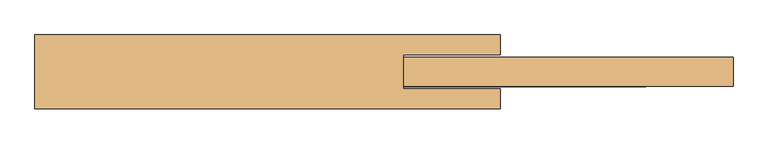
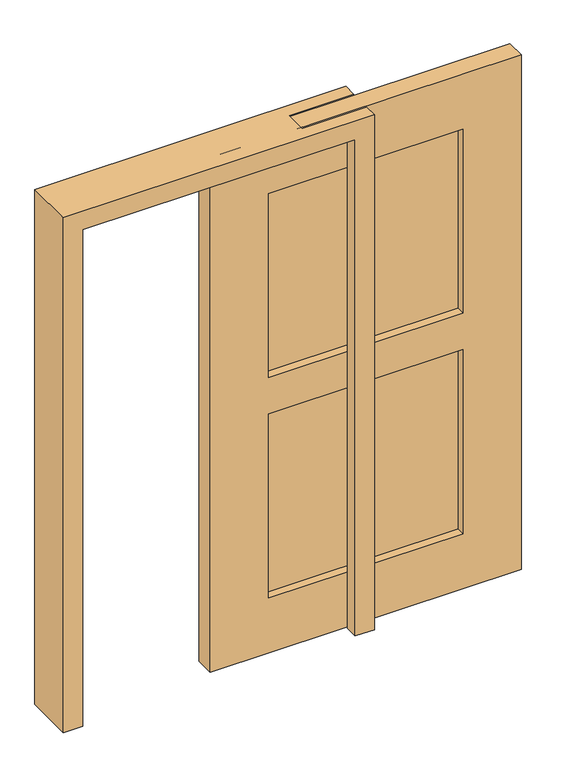
"""IFC4 building model written with IfcOpenShell, lengths in millimetres: door geometry."""

from ifc_helpers import new_model, si_unit, frame, origin, place, context, project, spatial, polyline, outline, extrude, faceted_brep, source, transform, mapped, element, save


def door_af573aac(model_context):
    return source(origin(), model_context, "Body", "SolidModel", [
        faceted_brep([(-533.4, -96.8375, 2057.4), (533.4, -96.8375, 2057.4), (533.4, -96.8375, 0.0), (609.6, -96.8375, 0.0), (609.6, -96.8375, 2133.6), (-609.6, -96.8375, 2133.6), (-609.6, -96.8375, 0.0), (-533.4, -96.8375, 0.0), (-533.4, 96.8375, 0.0), (-533.4, 96.8375, 2057.4), (-609.6, 96.8375, 0.0), (-609.6, 96.8375, 2133.6), (609.6, -44.45, 0.0), (609.6, -44.45, 2133.6), (609.6, 96.8375, 2133.6), (609.6, 44.45, 2133.6), (609.6, 44.45, 0.0), (609.6, 96.8375, 0.0), (533.4, 44.45, 0.0), (533.4, 96.8375, 0.0), (533.4, -44.45, 0.0), (533.4, 44.45, 2057.4), (533.4, 96.8375, 2057.4), (533.4, -44.45, 2057.4), (355.6, -44.45, 2133.6), (355.6, -44.45, 2057.4), (355.6, 44.45, 2057.4), (355.6, 44.45, 2133.6)], [[[0, 1, 2, 3, 4, 5, 6, 7]], [[7, 8, 9, 0]], [[6, 10, 8, 7]], [[5, 11, 10, 6]], [[3, 12, 13, 4]], [[14, 15, 16, 17]], [[17, 16, 18, 19]], [[2, 20, 12, 3]], [[19, 18, 21, 22]], [[1, 23, 20, 2]], [[9, 8, 10, 11, 14, 17, 19, 22]], [[24, 13, 12, 20, 23, 25]], [[26, 21, 18, 16, 15, 27]], [[4, 13, 24, 27, 15, 14, 11, 5]], [[0, 9, 22, 21, 26, 25, 23, 1]], [[25, 26, 27, 24]]]),
        extrude(outline(polyline([(990.6, 5.2498621), (990.6, -5.2498621), (228.6, -5.2498621), (228.6, 5.2498621), (990.6, 5.2498621)])), frame((0.0, 0.0, 228.6), z_axis=(0.0, 0.0, 1.0), x_axis=(1.0, 0.0, 0.0)), (0.0, 0.0, 1.0), 762.0),
        extrude(outline(polyline([(990.6, 5.2498621), (990.6, -5.2498621), (228.6, -5.2498621), (228.6, 5.2498621), (990.6, 5.2498621)])), frame((0.0, 0.0, 1143.0), z_axis=(0.0, 0.0, 1.0), x_axis=(1.0, 0.0, 0.0)), (0.0, 0.0, 1.0), 762.0),
        extrude(outline(polyline([(0.0, 1219.1773827), (2133.6, 1219.1773827), (2133.6, 0.0), (0.0, 0.0), (0.0, 1219.1773827)]), holes=[polyline([(228.6, 228.6), (990.6, 228.6), (990.6, 990.6), (228.6, 990.6), (228.6, 228.6)]), polyline([(1905.0, 228.6), (1905.0, 990.6), (1143.0, 990.6), (1143.0, 228.6), (1905.0, 228.6)])]), frame((0.0, -38.1, 0.0), z_axis=(0.0, 1.0, 0.0), x_axis=(0.0, 0.0, 1.0)), (0.0, 0.0, 1.0), 76.2),
    ])


if __name__ == "__main__":
    model = new_model("IFC4")
    model_context = context("Model", 3, world=origin())
    ifc_project = project(units=[si_unit("LENGTHUNIT", "METRE", prefix="MILLI")], contexts=[model_context])
    site = spatial("IfcSite", under=ifc_project)
    building = spatial("IfcBuilding", under=site)
    placement = place(None, origin())
    door_shape = door_af573aac(model_context)
    element("IfcDoor", 1, at=placement, inside=building, context=model_context, shape_type="MappedRepresentation", body=[
        mapped(door_shape, transform((0.0, 0.0, 0.0), x_axis=(1.0, 0.0, 0.0), y_axis=(0.0, 1.0, 0.0), z_axis=(0.0, 0.0, 1.0))),
    ])
    save(model, "model.ifc")
